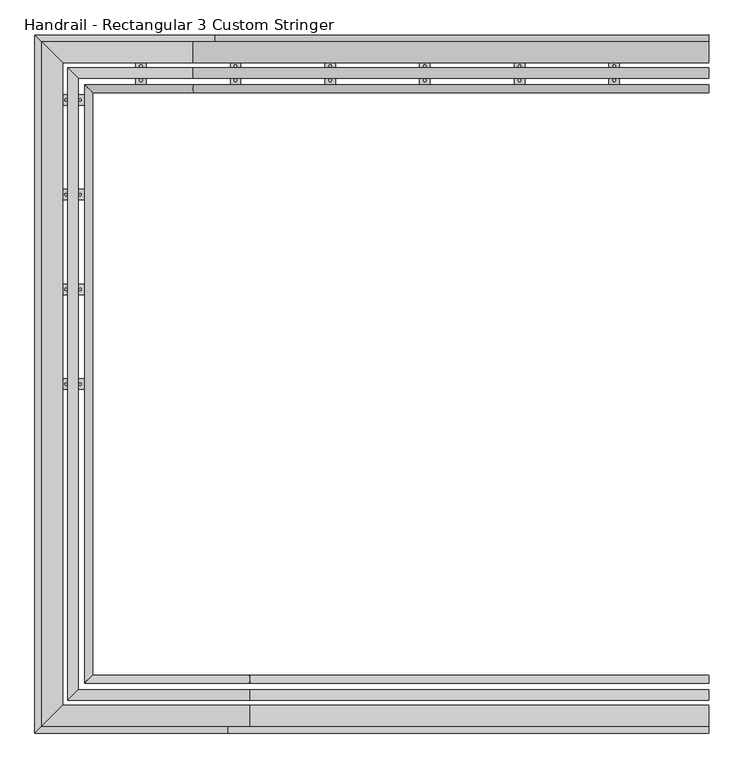
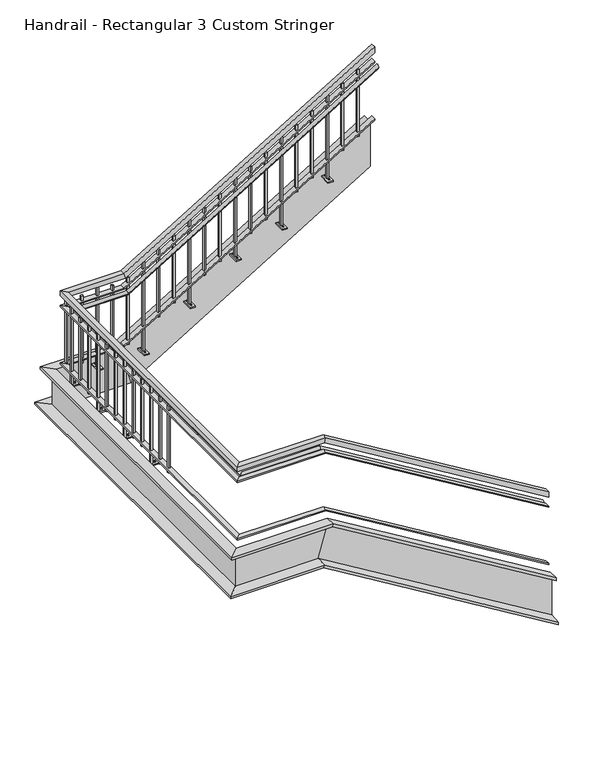
"""IFC4 building model written with IfcOpenShell, lengths in millimetres: railing geometry, Handrail - Rectangular 3 Custom Stringer."""

import ifcopenshell
import ifcopenshell.guid

model = None  # the IFC model being written
_history = None  # IfcOwnerHistory: only IFC2X3 demands one
_inside = {}  # id of a spatial element -> (the spatial element, [elements in it])
_under = {}  # id of a project, library or spatial element -> (it, [spatial elements below it])
_declared = {}  # id of a project -> (the project, [libraries it declares])
_typed = {}  # id of a type object -> (the type object, [elements of that type])
_made_of = {}  # id of a material, layer set ... -> (it, [elements and type objects made of it])


def new_model(schema):
    """Start an empty IFC model of exactly this schema.

    Asked for "IFC4X3", IfcOpenShell would pick the latest addendum, in which some entities
    have other attributes; the version numbers below select the first issue.
    IFC2X3 requires an IfcOwnerHistory on every rooted entity: one is made here for all.
    """
    global model, _history
    if schema == "IFC4X3":
        model = ifcopenshell.file(schema_version=(4, 3, 0, 0))
    else:
        model = ifcopenshell.file(schema=schema)
    _inside.clear()
    _under.clear()
    _declared.clear()
    _typed.clear()
    _made_of.clear()
    _history = None
    if model.schema == "IFC2X3":
        org = make("IfcOrganization", Name="unknown")
        user = make(
            "IfcPersonAndOrganization",
            ThePerson=make("IfcPerson", FamilyName="unknown"),
            TheOrganization=org,
        )
        app = make(
            "IfcApplication",
            ApplicationDeveloper=org,
            Version="unknown",
            ApplicationFullName="unknown",
            ApplicationIdentifier="unknown",
        )
        _history = make(
            "IfcOwnerHistory",
            OwningUser=user,
            OwningApplication=app,
            ChangeAction="ADDED",
            CreationDate=0,
        )
    return model


def make(cls, **values):
    """One entity of the class cls with the attributes given. An attribute that is None is left unset."""
    return model.create_entity(
        cls, **{name: value for name, value in values.items() if value is not None}
    )


def rooted(cls, **values):
    """An entity with a GlobalId (a new one), such as an element, a storey or a relation."""
    return make(cls, GlobalId=ifcopenshell.guid.new(), OwnerHistory=_history, **values)


def si_unit(unit_type, name, prefix=None):
    """IfcSIUnit, for example si_unit("LENGTHUNIT", "METRE", prefix="MILLI")."""
    return make("IfcSIUnit", UnitType=unit_type, Prefix=prefix, Name=name)


def assignment(units):
    """IfcUnitAssignment: the units of a project."""
    return None if units is None else make("IfcUnitAssignment", Units=units)


def point(xyz):
    """IfcCartesianPoint."""
    return None if xyz is None else make("IfcCartesianPoint", Coordinates=xyz)


def direction(xyz):
    """IfcDirection."""
    return None if xyz is None else make("IfcDirection", DirectionRatios=xyz)


def frame(location, z_axis=None, x_axis=None):
    """IfcAxis2Placement3D, a coordinate frame: its origin and axes. An axis left out is left unset."""
    return make(
        "IfcAxis2Placement3D",
        Location=point(location),
        Axis=direction(z_axis),
        RefDirection=direction(x_axis),
    )


def origin():
    """The frame at (0, 0, 0) with its axes left unset."""
    return frame((0.0, 0.0, 0.0))


def place(relative_to, where):
    """IfcLocalPlacement: puts the frame where relative to a parent placement (None: the world)."""
    return make(
        "IfcLocalPlacement", PlacementRelTo=relative_to, RelativePlacement=where
    )


def context(
    kind, dimensions, precision=None, world=None, true_north=None, identifier=None
):
    """IfcGeometricRepresentationContext, for example the 3D "Model" context."""
    return make(
        "IfcGeometricRepresentationContext",
        ContextIdentifier=identifier,
        ContextType=kind,
        CoordinateSpaceDimension=dimensions,
        Precision=precision,
        WorldCoordinateSystem=world,
        TrueNorth=true_north,
    )


def project(units=None, contexts=None):
    """IfcProject with its units and contexts."""
    return rooted(
        "IfcProject",
        Name="project",
        RepresentationContexts=contexts,
        UnitsInContext=assignment(units),
    )


def spatial(cls, under=None, at=None, **own):
    """A site, building, storey or space (cls), placed at a placement, below another one or the project."""
    s = rooted(cls, ObjectPlacement=at, **own)
    if under is not None:
        _under.setdefault(under.id(), (under, []))[1].append(s)
    return s


def polyline(points):
    """IfcPolyline through the points."""
    return make("IfcPolyline", Points=[point(p) for p in points])


def ellipse_curve(where, semi_axis1, semi_axis2):
    """IfcEllipse in the frame where."""
    return make(
        "IfcEllipse", Position=where, SemiAxis1=semi_axis1, SemiAxis2=semi_axis2
    )


def outline(outer, holes=None, kind="AREA"):
    """IfcArbitraryClosedProfileDef: a profile drawn as a closed curve; with holes, ...WithVoids."""
    if holes is None:
        return make("IfcArbitraryClosedProfileDef", ProfileType=kind, OuterCurve=outer)
    return make(
        "IfcArbitraryProfileDefWithVoids",
        ProfileType=kind,
        OuterCurve=outer,
        InnerCurves=holes,
    )


def extrude(swept, where, along, depth):
    """IfcExtrudedAreaSolid: the profile swept, set in the frame where, extruded along a direction by depth."""
    return make(
        "IfcExtrudedAreaSolid",
        SweptArea=swept,
        Position=where,
        ExtrudedDirection=direction(along),
        Depth=depth,
    )


def faces_of(points, faces, orient=None, outer=None):
    """IfcFace entities. A face is a list of loops; a loop is a list of indices into points, from 0.

    orient and outer hold one flag for each loop. By default every Orientation is true, the
    first loop of a face is its IfcFaceOuterBound and the others are IfcFaceBound.
    """
    made = []
    for i, loops in enumerate(faces):
        bounds = []
        for j, loop in enumerate(loops):
            is_outer = j == 0 if outer is None else outer[i][j]
            bounds.append(
                make(
                    "IfcFaceOuterBound" if is_outer else "IfcFaceBound",
                    Bound=make("IfcPolyLoop", Polygon=[points[k] for k in loop]),
                    Orientation=True if orient is None else orient[i][j],
                )
            )
        made.append(make("IfcFace", Bounds=bounds))
    return made


def faceted_brep(points, faces, orient=None, outer=None, voids=None):
    """IfcFacetedBrep: a solid bounded by flat faces; with voids (closed shells), ...WithVoids."""
    shared = [point(p) for p in points]
    hull = make("IfcClosedShell", CfsFaces=faces_of(shared, faces, orient, outer))
    if voids is None:
        return make("IfcFacetedBrep", Outer=hull)
    return make(
        "IfcFacetedBrepWithVoids",
        Outer=hull,
        Voids=[
            make(cls, CfsFaces=faces_of(shared, fs, o, b)) for cls, fs, o, b in voids
        ],
    )


def shape(context_of_items, identifier, shape_type, items):
    """IfcShapeRepresentation: the items that make up one representation, for example the "Body"."""
    return make(
        "IfcShapeRepresentation",
        ContextOfItems=context_of_items,
        RepresentationIdentifier=identifier,
        RepresentationType=shape_type,
        Items=items,
    )


def source(mapping_origin, context_of_items, identifier, shape_type, items):
    """IfcRepresentationMap: a shape defined once, which mapped items show again and again."""
    return make(
        "IfcRepresentationMap",
        MappingOrigin=mapping_origin,
        MappedRepresentation=shape(context_of_items, identifier, shape_type, items),
    )


def transform(
    local_origin,
    x_axis=None,
    y_axis=None,
    z_axis=None,
    scale=None,
    scale2=None,
    scale3=None,
    uniform=True,
):
    """IfcCartesianTransformationOperator3D, or its non-uniform kind. x_axis, y_axis, z_axis: its Axis1, 2, 3."""
    if uniform:
        return make(
            "IfcCartesianTransformationOperator3D",
            Axis1=direction(x_axis),
            Axis2=direction(y_axis),
            LocalOrigin=point(local_origin),
            Scale=scale,
            Axis3=direction(z_axis),
        )
    return make(
        "IfcCartesianTransformationOperator3DnonUniform",
        Axis1=direction(x_axis),
        Axis2=direction(y_axis),
        LocalOrigin=point(local_origin),
        Scale=scale,
        Axis3=direction(z_axis),
        Scale2=scale2,
        Scale3=scale3,
    )


def mapped(mapping_source, mapping_target):
    """IfcMappedItem: shows the shape of a source again, moved by a transform."""
    return make(
        "IfcMappedItem", MappingSource=mapping_source, MappingTarget=mapping_target
    )


def made_of(thing, what):
    """Note that an element or type object is made of a material, layer set ...; save() writes the relation."""
    if what is not None:
        _made_of.setdefault(what.id(), (what, []))[1].append(thing)
    return thing


def element(
    cls,
    number,
    at=None,
    inside=None,
    cuts=None,
    type_object=None,
    material=None,
    context=None,
    identifier="Body",
    shape_type=None,
    held_by="IfcProductDefinitionShape",
    body=None,
    shapes=None,
    **own,
):
    """One element of the class cls, such as IfcWall. Its Tag is "e" and its number.

    at: its placement. inside: the storey or other place that contains it. cuts: it is an
    opening in that element (IfcRelVoidsElement). A single representation is given by context,
    identifier, shape_type and body (its items); several are given by shapes. held_by: the class
    of the entity that holds the representations. save() writes the other relations.
    """
    e = rooted(cls, Tag="e%d" % number, ObjectPlacement=at, **own)
    if body is not None:
        shapes = [shape(context, identifier, shape_type, body)]
    if shapes is not None:
        e.Representation = make(held_by, Representations=shapes)
    if inside is not None:
        _inside.setdefault(inside.id(), (inside, []))[1].append(e)
    if cuts is not None:
        rooted(
            "IfcRelVoidsElement", RelatingBuildingElement=cuts, RelatedOpeningElement=e
        )
    if type_object is not None:
        _typed.setdefault(type_object.id(), (type_object, []))[1].append(e)
    return made_of(e, material)


def aggregate(whole, parts):
    """IfcRelAggregates: a whole, such as a stair, and the parts it consists of."""
    return rooted("IfcRelAggregates", RelatingObject=whole, RelatedObjects=parts)


def save(model, path):
    """Write the relations noted so far, then the file.

    IfcRelAggregates (storeys below a building ...), IfcRelContainedInSpatialStructure (elements
    in a storey), IfcRelDefinesByType, IfcRelAssociatesMaterial and IfcRelDeclares: one each for
    every whole, place, type object, material and project.
    """
    for whole, parts in _under.values():
        aggregate(whole, parts)
    for where, things in _inside.values():
        rooted(
            "IfcRelContainedInSpatialStructure",
            RelatedElements=things,
            RelatingStructure=where,
        )
    for kind, things in _typed.values():
        rooted("IfcRelDefinesByType", RelatedObjects=things, RelatingType=kind)
    for what, things in _made_of.values():
        rooted("IfcRelAssociatesMaterial", RelatedObjects=things, RelatingMaterial=what)
    for by, libraries in _declared.values():
        rooted("IfcRelDeclares", RelatingContext=by, RelatedDefinitions=libraries)
    model.write(path)


def plane_surface(at):
    """IfcPlane: the flat surface through the origin of the frame at, square to its z axis."""
    return make("IfcPlane", Position=at)


def cylinder_surface(at, radius):
    """IfcCylindricalSurface: all points at the distance radius from the z axis of the frame at."""
    return make("IfcCylindricalSurface", Position=at, Radius=radius)


def advanced_brep(points, edges, surfaces, faces):
    """IfcAdvancedBrep: a solid bounded by faces that lie on surfaces and meet in shared edges.

    An edge is (start, end): straight between two places in points (the first is 0);
    or (start, end, curve); or (start, end, curve, False) where it runs against its curve.
    A face is (place in surfaces, loops), or (place, loops, False) where it looks against
    its surface's normal. A loop lists edges by number (the first is 1), with a minus sign
    where the edge is run from its end to its start. The first loop is the outer one.
    """
    corners = [point(p) for p in points]
    vertices = [make("IfcVertexPoint", VertexGeometry=c) for c in corners]
    made = []
    for start, end, *more in edges:
        made.append(
            make(
                "IfcEdgeCurve",
                EdgeStart=vertices[start],
                EdgeEnd=vertices[end],
                EdgeGeometry=more[0] if more else make("IfcPolyline", Points=[corners[start], corners[end]]),
                SameSense=more[1] if len(more) > 1 else True,
            )
        )
    hull = []
    for where, loops, *sense in faces:
        bounds = []
        for j, loop in enumerate(loops):
            ring = [make("IfcOrientedEdge", EdgeElement=made[abs(k) - 1], Orientation=k > 0) for k in loop]
            bounds.append(
                make(
                    "IfcFaceOuterBound" if j == 0 else "IfcFaceBound",
                    Bound=make("IfcEdgeLoop", EdgeList=ring),
                    Orientation=True,
                )
            )
        hull.append(make("IfcAdvancedFace", Bounds=bounds, FaceSurface=surfaces[where], SameSense=sense[0] if sense else True))
    return make("IfcAdvancedBrep", Outer=make("IfcClosedShell", CfsFaces=hull))


def handrail_rectangular_3_custom_stringer_bfeb75f7(model_context):
    return source(origin(), model_context, "Body", "SolidModel", [
        advanced_brep(
        [(-2662.3126908, -10883.1082649, 909.0577857), (-2662.3126908, -10921.2082649, 909.0577857), (-4902.8348443, -10883.1082649, 2266.95), (-4902.8348443, -10921.2082649, 2266.95), (-5665.8626908, -10883.1082649, 2266.95), (-5703.9626908, -10921.2082649, 2266.95), (-5665.8626908, -8045.4856522, 2266.95), (-5703.9626908, -8007.3856522, 2266.95), (-5171.5905373, -8045.4856522, 2266.95), (-5171.5905373, -8007.3856522, 2266.95), (-2662.3126908, -8045.4856522, 3787.7244524), (-2662.3126908, -8007.3856522, 3787.7244524)],
        [
            (0, 1, ellipse_curve(frame((-2662.3126908, -10902.1582649, 909.0577857), z_axis=(1.0, 0.0, 0.0), x_axis=(0.0, 0.0, -1.0)), 22.2755476, 19.05)),
            (1, 0, ellipse_curve(frame((-2662.3126908, -10902.1582649, 909.0577857), z_axis=(1.0, 0.0, 0.0), x_axis=(0.0, 0.0, -1.0)), 22.2755476, 19.05)),
            (0, 2),
            (2, 3, ellipse_curve(frame((-4902.8348443, -10902.1582649, 2266.95), z_axis=(0.9631193673564179, 0.0, -0.26907449567540426), x_axis=(-0.2690744956754037, 0.0, -0.9631193673564181)), 19.7794797, 19.05)),
            (3, 1),
            (3, 2, ellipse_curve(frame((-4902.8348443, -10902.1582649, 2266.95), z_axis=(0.9631193673564179, 0.0, -0.26907449567540426), x_axis=(-0.2690744956754037, 0.0, -0.9631193673564181)), 19.7794797, 19.05)),
            (2, 4),
            (4, 5, ellipse_curve(frame((-5684.9126908, -10902.1582649, 2266.95), z_axis=(0.7071067811865421, -0.707106781186553, 0.0), x_axis=(0.7071067811865529, 0.7071067811865421, 0.0)), 26.9407684, 19.05)),
            (5, 3),
            (5, 4, ellipse_curve(frame((-5684.9126908, -10902.1582649, 2266.95), z_axis=(0.7071067811865421, -0.707106781186553, 0.0), x_axis=(0.7071067811865529, 0.7071067811865421, 0.0)), 26.9407684, 19.05)),
            (4, 6),
            (6, 7, ellipse_curve(frame((-5684.9126908, -8026.4356522, 2266.95), z_axis=(-0.7071067811865538, -0.7071067811865412, 0.0), x_axis=(0.7071067811865411, -0.7071067811865539, 0.0)), 26.9407684, 19.05)),
            (7, 5),
            (7, 6, ellipse_curve(frame((-5684.9126908, -8026.4356522, 2266.95), z_axis=(-0.7071067811865538, -0.7071067811865412, 0.0), x_axis=(0.7071067811865411, -0.7071067811865539, 0.0)), 26.9407684, 19.05)),
            (6, 8),
            (8, 9, ellipse_curve(frame((-5171.5905373, -8026.4356522, 2266.95), z_axis=(-0.9631193673564181, 0.0, -0.26907449567540404), x_axis=(-0.26907449567540354, 0.0, 0.9631193673564181)), 19.7794797, 19.05)),
            (9, 7),
            (9, 8, ellipse_curve(frame((-5171.5905373, -8026.4356522, 2266.95), z_axis=(-0.9631193673564181, 0.0, -0.26907449567540404), x_axis=(-0.26907449567540354, 0.0, 0.9631193673564181)), 19.7794797, 19.05)),
            (10, 11, ellipse_curve(frame((-2662.3126908, -8026.4356522, 3787.7244524), z_axis=(1.0, 0.0, 0.0), x_axis=(0.0, 0.0, -1.0)), 22.2755476, 19.05)),
            (11, 10, ellipse_curve(frame((-2662.3126908, -8026.4356522, 3787.7244524), z_axis=(1.0, 0.0, 0.0), x_axis=(0.0, 0.0, -1.0)), 22.2755476, 19.05)),
            (8, 10),
            (11, 9),
        ],
        [
            plane_surface(frame((-2662.3126908, -10902.1582649, 931.3333333), z_axis=(1.0, 0.0, 0.0), x_axis=(0.0, -1.0, 0.0))),
            cylinder_surface(frame((-2672.1863385, -10902.1582649, 915.0418146), z_axis=(0.8551978315540537, 0.0, -0.5183017160932851), x_axis=(0.0, -1.0, 0.0)), 19.05),
            cylinder_surface(frame((-4897.5126908, -10902.1582649, 2266.95), z_axis=(1.0, 0.0, 0.0), x_axis=(0.0, -1.0, 0.0)), 19.05),
            cylinder_surface(frame((-5684.9126908, -10902.1582649, 2266.95), z_axis=(0.0, -1.0, 0.0), x_axis=(-1.0, 0.0, 0.0)), 19.05),
            cylinder_surface(frame((-5684.9126908, -8026.4356522, 2266.95), z_axis=(-1.0, 0.0, 0.0), x_axis=(0.0, 1.0, 0.0)), 19.05),
            plane_surface(frame((-2662.3126908, -8026.4356522, 3810.0), z_axis=(1.0, 0.0, 0.0), x_axis=(0.0, 1.0, 0.0))),
            cylinder_surface(frame((-5167.0390431, -8026.4356522, 2269.7084813), z_axis=(-0.855197831554054, 0.0, -0.5183017160932847), x_axis=(0.0, 1.0, 0.0)), 19.05),
        ],
        [
            (0, [[1, 2]]),
            (1, [[-1, 3, 4, 5]]),
            (1, [[-2, -5, 6, -3]]),
            (2, [[-4, 7, 8, 9]]),
            (2, [[-6, -9, 10, -7]]),
            (3, [[-8, 11, 12, 13]]),
            (3, [[-10, -13, 14, -11]]),
            (4, [[-12, 15, 16, 17]]),
            (4, [[-14, -17, 18, -15]]),
            (5, [[19, 20]]),
            (6, [[-16, 21, -20, 22]]),
            (6, [[-18, -22, -19, -21]]),
        ],
    ),
        faceted_brep([(-2662.3126908, -11003.7582649, 1083.7333333), (-2662.3126908, -11003.7582649, 1024.3318731), (-2662.3126908, -10952.9582649, 1024.3318731), (-2662.3126908, -10952.9582649, 1083.7333333), (-4897.5126908, -11003.7582649, 2438.4), (-4911.7051002, -11003.7582649, 2387.6), (-4911.7051002, -10952.9582649, 2387.6), (-4897.5126908, -10952.9582649, 2438.4), (-5786.5126908, -11003.7582649, 2438.4), (-5786.5126908, -11003.7582649, 2387.6), (-5735.7126908, -10952.9582649, 2387.6), (-5735.7126908, -10952.9582649, 2438.4), (-5786.5126908, -7924.8356522, 2438.4), (-5786.5126908, -7924.8356522, 2387.6), (-5735.7126908, -7975.6356522, 2387.6), (-5735.7126908, -7975.6356522, 2438.4), (-5176.9126908, -7924.8356522, 2438.4), (-5162.7202814, -7924.8356522, 2387.6), (-5162.7202814, -7975.6356522, 2387.6), (-5176.9126908, -7975.6356522, 2438.4), (-2662.3126908, -7924.8356522, 3962.4), (-2662.3126908, -7975.6356522, 3962.4), (-2662.3126908, -7975.6356522, 3902.9985397), (-2662.3126908, -7924.8356522, 3902.9985397)], [[[0, 1, 2, 3]], [[1, 0, 4, 5]], [[2, 1, 5, 6]], [[3, 2, 6, 7]], [[0, 3, 7, 4]], [[5, 4, 8, 9]], [[6, 5, 9, 10]], [[7, 6, 10, 11]], [[4, 7, 11, 8]], [[9, 8, 12, 13]], [[10, 9, 13, 14]], [[11, 10, 14, 15]], [[8, 11, 15, 12]], [[13, 12, 16, 17]], [[14, 13, 17, 18]], [[15, 14, 18, 19]], [[12, 15, 19, 16]], [[20, 21, 22, 23]], [[17, 16, 20, 23]], [[18, 17, 23, 22]], [[19, 18, 22, 21]], [[16, 19, 21, 20]]]),
        faceted_brep([(-2662.3126908, -11003.7582649, 931.3333333), (-2662.3126908, -11003.7582649, 916.4829683), (-2662.3126908, -10952.9582649, 916.4829683), (-2662.3126908, -10952.9582649, 931.3333333), (-4897.5126908, -11003.7582649, 2286.0), (-4901.0607932, -11003.7582649, 2273.3), (-4901.0607932, -10952.9582649, 2273.3), (-4897.5126908, -10952.9582649, 2286.0), (-5786.5126908, -11003.7582649, 2286.0), (-5786.5126908, -11003.7582649, 2273.3), (-5735.7126908, -10952.9582649, 2273.3), (-5735.7126908, -10952.9582649, 2286.0), (-5786.5126908, -7924.8356522, 2286.0), (-5786.5126908, -7924.8356522, 2273.3), (-5735.7126908, -7975.6356522, 2273.3), (-5735.7126908, -7975.6356522, 2286.0), (-5176.9126908, -7924.8356522, 2286.0), (-5173.3645885, -7924.8356522, 2273.3), (-5173.3645885, -7975.6356522, 2273.3), (-5176.9126908, -7975.6356522, 2286.0), (-2662.3126908, -7924.8356522, 3810.0), (-2662.3126908, -7975.6356522, 3810.0), (-2662.3126908, -7975.6356522, 3795.1496349), (-2662.3126908, -7924.8356522, 3795.1496349)], [[[0, 1, 2, 3]], [[1, 0, 4, 5]], [[2, 1, 5, 6]], [[3, 2, 6, 7]], [[0, 3, 7, 4]], [[5, 4, 8, 9]], [[6, 5, 9, 10]], [[7, 6, 10, 11]], [[4, 7, 11, 8]], [[9, 8, 12, 13]], [[10, 9, 13, 14]], [[11, 10, 14, 15]], [[8, 11, 15, 12]], [[13, 12, 16, 17]], [[14, 13, 17, 18]], [[15, 14, 18, 19]], [[12, 15, 19, 16]], [[20, 21, 22, 23]], [[17, 16, 20, 23]], [[18, 17, 23, 22]], [[19, 18, 22, 21]], [[16, 19, 21, 20]]]),
        faceted_brep([(-2662.3126908, -11003.7582649, 321.7333333), (-2662.3126908, -11003.7582649, 306.8829683), (-2662.3126908, -10952.9582649, 306.8829683), (-2662.3126908, -10952.9582649, 321.7333333), (-4897.5126908, -11003.7582649, 1676.4), (-4901.0607932, -11003.7582649, 1663.7), (-4901.0607932, -10952.9582649, 1663.7), (-4897.5126908, -10952.9582649, 1676.4), (-5786.5126908, -11003.7582649, 1676.4), (-5786.5126908, -11003.7582649, 1663.7), (-5735.7126908, -10952.9582649, 1663.7), (-5735.7126908, -10952.9582649, 1676.4), (-5786.5126908, -7924.8356522, 1676.4), (-5786.5126908, -7924.8356522, 1663.7), (-5735.7126908, -7975.6356522, 1663.7), (-5735.7126908, -7975.6356522, 1676.4), (-5176.9126908, -7924.8356522, 1676.4), (-5173.3645885, -7924.8356522, 1663.7), (-5173.3645885, -7975.6356522, 1663.7), (-5176.9126908, -7975.6356522, 1676.4), (-2662.3126908, -7924.8356522, 3200.4), (-2662.3126908, -7975.6356522, 3200.4), (-2662.3126908, -7975.6356522, 3185.5496349), (-2662.3126908, -7924.8356522, 3185.5496349)], [[[0, 1, 2, 3]], [[1, 0, 4, 5]], [[2, 1, 5, 6]], [[3, 2, 6, 7]], [[0, 3, 7, 4]], [[5, 4, 8, 9]], [[6, 5, 9, 10]], [[7, 6, 10, 11]], [[4, 7, 11, 8]], [[9, 8, 12, 13]], [[10, 9, 13, 14]], [[11, 10, 14, 15]], [[8, 11, 15, 12]], [[13, 12, 16, 17]], [[14, 13, 17, 18]], [[15, 14, 18, 19]], [[12, 15, 19, 16]], [[20, 21, 22, 23]], [[17, 16, 20, 23]], [[18, 17, 23, 22]], [[19, 18, 22, 21]], [[16, 19, 21, 20]]]),
        faceted_brep([(-2662.3126908, -11029.1582649, -229.6783487), (-2662.3126908, -11029.1582649, 245.5333333), (-2662.3126908, -11130.7582649, 245.5333333), (-2662.3126908, -11130.7582649, 214.6667878), (-2662.3126908, -11054.9913768, 200.6346005), (-2662.3126908, -11054.9913768, -192.9000737), (-2662.3126908, -11163.8732709, -201.8030005), (-2662.3126908, -11163.8732709, -229.6783487), (-5011.0519662, -11029.1582649, 1193.8), (-4897.5126908, -11029.1582649, 1600.2), (-4897.5126908, -11130.7582649, 1600.2), (-4904.8874363, -11130.7582649, 1573.8029972), (-4908.2400567, -11054.9913768, 1561.802701), (-5002.2647691, -11054.9913768, 1225.252701), (-5004.3918882, -11163.8732709, 1217.6389373), (-5011.0519662, -11163.8732709, 1193.8), (-5811.9126908, -11029.1582649, 1193.8), (-5811.9126908, -11029.1582649, 1600.2), (-5913.5126908, -11130.7582649, 1600.2), (-5913.5126908, -11130.7582649, 1573.8029972), (-5837.7458027, -11054.9913768, 1561.802701), (-5837.7458027, -11054.9913768, 1225.252701), (-5946.6276968, -11163.8732709, 1217.6389373), (-5946.6276968, -11163.8732709, 1193.8), (-5811.9126908, -7899.4356522, 1193.8), (-5811.9126908, -7899.4356522, 1600.2), (-5913.5126908, -7797.8356522, 1600.2), (-5913.5126908, -7797.8356522, 1573.8029972), (-5837.7458027, -7873.6025403, 1561.802701), (-5837.7458027, -7873.6025403, 1225.252701), (-5946.6276968, -7764.7206462, 1217.6389373), (-5946.6276968, -7764.7206462, 1193.8), (-5063.3734155, -7899.4356522, 1193.8), (-5176.9126908, -7899.4356522, 1600.2), (-5176.9126908, -7797.8356522, 1600.2), (-5169.5379453, -7797.8356522, 1573.8029972), (-5166.1853249, -7873.6025403, 1561.802701), (-5072.1606125, -7873.6025403, 1225.252701), (-5070.0334934, -7764.7206462, 1217.6389373), (-5063.3734155, -7764.7206462, 1193.8), (-2662.3126908, -7899.4356522, 2648.988318), (-2662.3126908, -7764.7206462, 2648.988318), (-2662.3126908, -7764.7206462, 2676.8636661), (-2662.3126908, -7873.6025403, 2685.766593), (-2662.3126908, -7873.6025403, 3079.3012672), (-2662.3126908, -7797.8356522, 3093.3334545), (-2662.3126908, -7797.8356522, 3124.2), (-2662.3126908, -7899.4356522, 3124.2)], [[[0, 1, 2, 3, 4, 5, 6, 7]], [[1, 0, 8, 9]], [[2, 1, 9, 10]], [[3, 2, 10, 11]], [[4, 3, 11, 12]], [[5, 4, 12, 13]], [[6, 5, 13, 14]], [[7, 6, 14, 15]], [[0, 7, 15, 8]], [[9, 8, 16, 17]], [[10, 9, 17, 18]], [[11, 10, 18, 19]], [[12, 11, 19, 20]], [[13, 12, 20, 21]], [[14, 13, 21, 22]], [[15, 14, 22, 23]], [[8, 15, 23, 16]], [[17, 16, 24, 25]], [[18, 17, 25, 26]], [[19, 18, 26, 27]], [[20, 19, 27, 28]], [[21, 20, 28, 29]], [[22, 21, 29, 30]], [[23, 22, 30, 31]], [[16, 23, 31, 24]], [[25, 24, 32, 33]], [[26, 25, 33, 34]], [[27, 26, 34, 35]], [[28, 27, 35, 36]], [[29, 28, 36, 37]], [[30, 29, 37, 38]], [[31, 30, 38, 39]], [[24, 31, 39, 32]], [[40, 41, 42, 43, 44, 45, 46, 47]], [[33, 32, 40, 47]], [[34, 33, 47, 46]], [[35, 34, 46, 45]], [[36, 35, 45, 44]], [[37, 36, 44, 43]], [[38, 37, 43, 42]], [[39, 38, 42, 41]], [[32, 39, 41, 40]]]),
        extrude(outline(polyline([(-2825.5997344, -7940.7106522), (-2806.5497344, -7940.7106522), (-2806.5497344, -7959.7606522), (-2825.5997344, -7959.7606522), (-2825.5997344, -7940.7106522)])), frame((0.0, 0.0, 3056.4108827), z_axis=(0.0, 0.0, 1.0), x_axis=(1.0, 0.0, 0.0)), (0.0, 0.0, 1.0), 711.2),
        extrude(outline(polyline([(-2979.3617779, -7940.7106522), (-2960.3117779, -7940.7106522), (-2960.3117779, -7959.7606522), (-2979.3617779, -7959.7606522), (-2979.3617779, -7940.7106522)])), frame((0.0, 0.0, 2963.2217654), z_axis=(0.0, 0.0, 1.0), x_axis=(1.0, 0.0, 0.0)), (0.0, 0.0, 1.0), 711.2),
        faceted_brep([(-3148.9988214, -8010.5606522, 2709.3333333), (-3148.9988214, -7889.9106522, 2709.3333333), (-3098.1988214, -7889.9106522, 2709.3333333), (-3098.1988214, -8010.5606522, 2709.3333333), (-3133.1238214, -7940.7106522, 3617.6584606), (-3133.1238214, -7940.7106522, 2722.0333333), (-3133.1238214, -7959.7606522, 2722.0333333), (-3133.1238214, -7959.7606522, 3617.6584606), (-3114.0738214, -7940.7106522, 3629.2039151), (-3114.0738214, -7940.7106522, 2722.0333333), (-3114.0738214, -7959.7606522, 3629.2039151), (-3114.0738214, -7959.7606522, 2722.0333333), (-3148.9988214, -8010.5606522, 2722.0333333), (-3098.1988214, -8010.5606522, 2722.0333333), (-3098.1988214, -7889.9106522, 2722.0333333), (-3148.9988214, -7889.9106522, 2722.0333333)], [[[0, 1, 2, 3]], [[4, 5, 6, 7]], [[8, 9, 5, 4]], [[10, 11, 9, 8]], [[7, 6, 11, 10]], [[7, 10, 8, 4]], [[12, 13, 14, 15], [5, 9, 11, 6]], [[15, 1, 0, 12]], [[14, 2, 1, 15]], [[13, 3, 2, 14]], [[12, 0, 3, 13]]]),
        extrude(outline(polyline([(-3130.9311699, -7915.3106522), (-3127.2649957, -7908.9606522), (-3119.9326472, -7908.9606522), (-3116.266473, -7915.3106522), (-3119.9326472, -7921.6606522), (-3127.2649957, -7921.6606522), (-3130.9311699, -7915.3106522)])), frame((0.0, 0.0, 2722.0333333), z_axis=(0.0, 0.0, 1.0), x_axis=(1.0, 0.0, 0.0)), (0.0, 0.0, 1.0), 6.35),
        extrude(outline(polyline([(-3130.9311699, -7985.1606522), (-3127.2649957, -7978.8106522), (-3119.9326472, -7978.8106522), (-3116.266473, -7985.1606522), (-3119.9326472, -7991.5106522), (-3127.2649957, -7991.5106522), (-3130.9311699, -7985.1606522)])), frame((0.0, 0.0, 2722.0333333), z_axis=(0.0, 0.0, 1.0), x_axis=(1.0, 0.0, 0.0)), (0.0, 0.0, 1.0), 6.35),
        extrude(outline(polyline([(-3286.885865, -7940.7106522), (-3267.835865, -7940.7106522), (-3267.835865, -7959.7606522), (-3286.885865, -7959.7606522), (-3286.885865, -7940.7106522)])), frame((0.0, 0.0, 2776.8435308), z_axis=(0.0, 0.0, 1.0), x_axis=(1.0, 0.0, 0.0)), (0.0, 0.0, 1.0), 711.2),
        extrude(outline(polyline([(-3440.6479085, -7940.7106522), (-3421.5979085, -7940.7106522), (-3421.5979085, -7959.7606522), (-3440.6479085, -7959.7606522), (-3440.6479085, -7940.7106522)])), frame((0.0, 0.0, 2683.6544135), z_axis=(0.0, 0.0, 1.0), x_axis=(1.0, 0.0, 0.0)), (0.0, 0.0, 1.0), 711.2),
        faceted_brep([(-3610.2849521, -8010.5606522, 2370.6666667), (-3610.2849521, -7889.9106522, 2370.6666667), (-3559.4849521, -7889.9106522, 2370.6666667), (-3559.4849521, -8010.5606522, 2370.6666667), (-3594.4099521, -7940.7106522, 3338.0911087), (-3594.4099521, -7940.7106522, 2383.3666667), (-3594.4099521, -7959.7606522, 2383.3666667), (-3594.4099521, -7959.7606522, 3338.0911087), (-3575.3599521, -7940.7106522, 3349.6365632), (-3575.3599521, -7940.7106522, 2383.3666667), (-3575.3599521, -7959.7606522, 3349.6365632), (-3575.3599521, -7959.7606522, 2383.3666667), (-3610.2849521, -8010.5606522, 2383.3666667), (-3559.4849521, -8010.5606522, 2383.3666667), (-3559.4849521, -7889.9106522, 2383.3666667), (-3610.2849521, -7889.9106522, 2383.3666667)], [[[0, 1, 2, 3]], [[4, 5, 6, 7]], [[8, 9, 5, 4]], [[10, 11, 9, 8]], [[7, 6, 11, 10]], [[7, 10, 8, 4]], [[12, 13, 14, 15], [5, 9, 11, 6]], [[15, 1, 0, 12]], [[14, 2, 1, 15]], [[13, 3, 2, 14]], [[12, 0, 3, 13]]]),
        extrude(outline(polyline([(-3592.2173005, -7915.3106522), (-3588.5511263, -7908.9606522), (-3581.2187779, -7908.9606522), (-3577.5526037, -7915.3106522), (-3581.2187779, -7921.6606522), (-3588.5511263, -7921.6606522), (-3592.2173005, -7915.3106522)])), frame((0.0, 0.0, 2383.3666667), z_axis=(0.0, 0.0, 1.0), x_axis=(1.0, 0.0, 0.0)), (0.0, 0.0, 1.0), 6.35),
        extrude(outline(polyline([(-3592.2173005, -7985.1606522), (-3588.5511263, -7978.8106522), (-3581.2187779, -7978.8106522), (-3577.5526037, -7985.1606522), (-3581.2187779, -7991.5106522), (-3588.5511263, -7991.5106522), (-3592.2173005, -7985.1606522)])), frame((0.0, 0.0, 2383.3666667), z_axis=(0.0, 0.0, 1.0), x_axis=(1.0, 0.0, 0.0)), (0.0, 0.0, 1.0), 6.35),
        extrude(outline(polyline([(-3748.1719956, -7940.7106522), (-3729.1219956, -7940.7106522), (-3729.1219956, -7959.7606522), (-3748.1719956, -7959.7606522), (-3748.1719956, -7940.7106522)])), frame((0.0, 0.0, 2497.2761789), z_axis=(0.0, 0.0, 1.0), x_axis=(1.0, 0.0, 0.0)), (0.0, 0.0, 1.0), 711.2),
        extrude(outline(polyline([(-3901.9340392, -7940.7106522), (-3882.8840392, -7940.7106522), (-3882.8840392, -7959.7606522), (-3901.9340392, -7959.7606522), (-3901.9340392, -7940.7106522)])), frame((0.0, 0.0, 2404.0870616), z_axis=(0.0, 0.0, 1.0), x_axis=(1.0, 0.0, 0.0)), (0.0, 0.0, 1.0), 711.2),
        faceted_brep([(-4071.5710827, -8010.5606522, 2201.3333333), (-4071.5710827, -7889.9106522, 2201.3333333), (-4020.7710827, -7889.9106522, 2201.3333333), (-4020.7710827, -8010.5606522, 2201.3333333), (-4055.6960827, -7940.7106522, 3058.5237568), (-4055.6960827, -7940.7106522, 2214.0333333), (-4055.6960827, -7959.7606522, 2214.0333333), (-4055.6960827, -7959.7606522, 3058.5237568), (-4036.6460827, -7940.7106522, 3070.0692113), (-4036.6460827, -7940.7106522, 2214.0333333), (-4036.6460827, -7959.7606522, 3070.0692113), (-4036.6460827, -7959.7606522, 2214.0333333), (-4071.5710827, -8010.5606522, 2214.0333333), (-4020.7710827, -8010.5606522, 2214.0333333), (-4020.7710827, -7889.9106522, 2214.0333333), (-4071.5710827, -7889.9106522, 2214.0333333)], [[[0, 1, 2, 3]], [[4, 5, 6, 7]], [[8, 9, 5, 4]], [[10, 11, 9, 8]], [[7, 6, 11, 10]], [[7, 10, 8, 4]], [[12, 13, 14, 15], [5, 9, 11, 6]], [[15, 1, 0, 12]], [[14, 2, 1, 15]], [[13, 3, 2, 14]], [[12, 0, 3, 13]]]),
        extrude(outline(polyline([(-4053.5034311, -7915.3106522), (-4049.8372569, -7908.9606522), (-4042.5049085, -7908.9606522), (-4038.8387343, -7915.3106522), (-4042.5049085, -7921.6606522), (-4049.8372569, -7921.6606522), (-4053.5034311, -7915.3106522)])), frame((0.0, 0.0, 2214.0333333), z_axis=(0.0, 0.0, 1.0), x_axis=(1.0, 0.0, 0.0)), (0.0, 0.0, 1.0), 6.35),
        extrude(outline(polyline([(-4053.5034311, -7985.1606522), (-4049.8372569, -7978.8106522), (-4042.5049085, -7978.8106522), (-4038.8387343, -7985.1606522), (-4042.5049085, -7991.5106522), (-4049.8372569, -7991.5106522), (-4053.5034311, -7985.1606522)])), frame((0.0, 0.0, 2214.0333333), z_axis=(0.0, 0.0, 1.0), x_axis=(1.0, 0.0, 0.0)), (0.0, 0.0, 1.0), 6.35),
        extrude(outline(polyline([(-4209.4581263, -7940.7106522), (-4190.4081263, -7940.7106522), (-4190.4081263, -7959.7606522), (-4209.4581263, -7959.7606522), (-4209.4581263, -7940.7106522)])), frame((0.0, 0.0, 2217.708827), z_axis=(0.0, 0.0, 1.0), x_axis=(1.0, 0.0, 0.0)), (0.0, 0.0, 1.0), 711.2),
        extrude(outline(polyline([(-4363.2201698, -7940.7106522), (-4344.1701698, -7940.7106522), (-4344.1701698, -7959.7606522), (-4363.2201698, -7959.7606522), (-4363.2201698, -7940.7106522)])), frame((0.0, 0.0, 2124.5197097), z_axis=(0.0, 0.0, 1.0), x_axis=(1.0, 0.0, 0.0)), (0.0, 0.0, 1.0), 711.2),
        faceted_brep([(-4532.8572134, -8010.5606522, 1862.6666667), (-4532.8572134, -7889.9106522, 1862.6666667), (-4482.0572134, -7889.9106522, 1862.6666667), (-4482.0572134, -8010.5606522, 1862.6666667), (-4516.9822134, -7940.7106522, 2778.9564049), (-4516.9822134, -7940.7106522, 1875.3666667), (-4516.9822134, -7959.7606522, 1875.3666667), (-4516.9822134, -7959.7606522, 2778.9564049), (-4497.9322134, -7940.7106522, 2790.5018594), (-4497.9322134, -7940.7106522, 1875.3666667), (-4497.9322134, -7959.7606522, 2790.5018594), (-4497.9322134, -7959.7606522, 1875.3666667), (-4532.8572134, -8010.5606522, 1875.3666667), (-4482.0572134, -8010.5606522, 1875.3666667), (-4482.0572134, -7889.9106522, 1875.3666667), (-4532.8572134, -7889.9106522, 1875.3666667)], [[[0, 1, 2, 3]], [[4, 5, 6, 7]], [[8, 9, 5, 4]], [[10, 11, 9, 8]], [[7, 6, 11, 10]], [[7, 10, 8, 4]], [[12, 13, 14, 15], [5, 9, 11, 6]], [[15, 1, 0, 12]], [[14, 2, 1, 15]], [[13, 3, 2, 14]], [[12, 0, 3, 13]]]),
        extrude(outline(polyline([(-4514.7895618, -7915.3106522), (-4511.1233876, -7908.9606522), (-4503.7910391, -7908.9606522), (-4500.1248649, -7915.3106522), (-4503.7910391, -7921.6606522), (-4511.1233876, -7921.6606522), (-4514.7895618, -7915.3106522)])), frame((0.0, 0.0, 1875.3666667), z_axis=(0.0, 0.0, 1.0), x_axis=(1.0, 0.0, 0.0)), (0.0, 0.0, 1.0), 6.35),
        extrude(outline(polyline([(-4514.7895618, -7985.1606522), (-4511.1233876, -7978.8106522), (-4503.7910391, -7978.8106522), (-4500.1248649, -7985.1606522), (-4503.7910391, -7991.5106522), (-4511.1233876, -7991.5106522), (-4514.7895618, -7985.1606522)])), frame((0.0, 0.0, 1875.3666667), z_axis=(0.0, 0.0, 1.0), x_axis=(1.0, 0.0, 0.0)), (0.0, 0.0, 1.0), 6.35),
        extrude(outline(polyline([(-4670.7442569, -7940.7106522), (-4651.6942569, -7940.7106522), (-4651.6942569, -7959.7606522), (-4670.7442569, -7959.7606522), (-4670.7442569, -7940.7106522)])), frame((0.0, 0.0, 1938.1414751), z_axis=(0.0, 0.0, 1.0), x_axis=(1.0, 0.0, 0.0)), (0.0, 0.0, 1.0), 711.2),
        extrude(outline(polyline([(-4824.5063004, -7940.7106522), (-4805.4563004, -7940.7106522), (-4805.4563004, -7959.7606522), (-4824.5063004, -7959.7606522), (-4824.5063004, -7940.7106522)])), frame((0.0, 0.0, 1844.9523578), z_axis=(0.0, 0.0, 1.0), x_axis=(1.0, 0.0, 0.0)), (0.0, 0.0, 1.0), 711.2),
        faceted_brep([(-4994.143344, -8010.5606522, 1524.0), (-4994.143344, -7889.9106522, 1524.0), (-4943.343344, -7889.9106522, 1524.0), (-4943.343344, -8010.5606522, 1524.0), (-4978.268344, -7940.7106522, 2499.389053), (-4978.268344, -7940.7106522, 1536.7), (-4978.268344, -7959.7606522, 1536.7), (-4978.268344, -7959.7606522, 2499.389053), (-4959.218344, -7940.7106522, 2510.9345075), (-4959.218344, -7940.7106522, 1536.7), (-4959.218344, -7959.7606522, 2510.9345075), (-4959.218344, -7959.7606522, 1536.7), (-4994.143344, -8010.5606522, 1536.7), (-4943.343344, -8010.5606522, 1536.7), (-4943.343344, -7889.9106522, 1536.7), (-4994.143344, -7889.9106522, 1536.7)], [[[0, 1, 2, 3]], [[4, 5, 6, 7]], [[8, 9, 5, 4]], [[10, 11, 9, 8]], [[7, 6, 11, 10]], [[7, 10, 8, 4]], [[12, 13, 14, 15], [5, 9, 11, 6]], [[15, 1, 0, 12]], [[14, 2, 1, 15]], [[13, 3, 2, 14]], [[12, 0, 3, 13]]]),
        extrude(outline(polyline([(-4976.0756924, -7915.3106522), (-4972.4095182, -7908.9606522), (-4965.0771698, -7908.9606522), (-4961.4109956, -7915.3106522), (-4965.0771698, -7921.6606522), (-4972.4095182, -7921.6606522), (-4976.0756924, -7915.3106522)])), frame((0.0, 0.0, 1536.7), z_axis=(0.0, 0.0, 1.0), x_axis=(1.0, 0.0, 0.0)), (0.0, 0.0, 1.0), 6.35),
        extrude(outline(polyline([(-4976.0756924, -7985.1606522), (-4972.4095182, -7978.8106522), (-4965.0771698, -7978.8106522), (-4961.4109956, -7985.1606522), (-4965.0771698, -7991.5106522), (-4972.4095182, -7991.5106522), (-4976.0756924, -7985.1606522)])), frame((0.0, 0.0, 1536.7), z_axis=(0.0, 0.0, 1.0), x_axis=(1.0, 0.0, 0.0)), (0.0, 0.0, 1.0), 6.35),
        extrude(outline(polyline([(-5132.0303875, -7940.7106522), (-5112.9803875, -7940.7106522), (-5112.9803875, -7959.7606522), (-5132.0303875, -7959.7606522), (-5132.0303875, -7940.7106522)])), frame((0.0, 0.0, 1658.5741232), z_axis=(0.0, 0.0, 1.0), x_axis=(1.0, 0.0, 0.0)), (0.0, 0.0, 1.0), 711.2),
        extrude(outline(polyline([(-5285.7924311, -7940.7106522), (-5266.7424311, -7940.7106522), (-5266.7424311, -7959.7606522), (-5285.7924311, -7959.7606522), (-5285.7924311, -7940.7106522)])), frame((0.0, 0.0, 1625.6), z_axis=(0.0, 0.0, 1.0), x_axis=(1.0, 0.0, 0.0)), (0.0, 0.0, 1.0), 711.2),
        faceted_brep([(-5455.4294746, -8010.5606522, 1524.0), (-5455.4294746, -7889.9106522, 1524.0), (-5404.6294746, -7889.9106522, 1524.0), (-5404.6294746, -8010.5606522, 1524.0), (-5439.5544746, -7940.7106522, 2387.6), (-5439.5544746, -7940.7106522, 1536.7), (-5439.5544746, -7959.7606522, 1536.7), (-5439.5544746, -7959.7606522, 2387.6), (-5420.5044746, -7940.7106522, 2387.6), (-5420.5044746, -7940.7106522, 1536.7), (-5420.5044746, -7959.7606522, 2387.6), (-5420.5044746, -7959.7606522, 1536.7), (-5455.4294746, -8010.5606522, 1536.7), (-5404.6294746, -8010.5606522, 1536.7), (-5404.6294746, -7889.9106522, 1536.7), (-5455.4294746, -7889.9106522, 1536.7)], [[[0, 1, 2, 3]], [[4, 5, 6, 7]], [[8, 9, 5, 4]], [[10, 11, 9, 8]], [[7, 6, 11, 10]], [[7, 10, 8, 4]], [[12, 13, 14, 15], [5, 9, 11, 6]], [[15, 1, 0, 12]], [[14, 2, 1, 15]], [[13, 3, 2, 14]], [[12, 0, 3, 13]]]),
        extrude(outline(polyline([(-5437.361823, -7915.3106522), (-5433.6956488, -7908.9606522), (-5426.3633004, -7908.9606522), (-5422.6971262, -7915.3106522), (-5426.3633004, -7921.6606522), (-5433.6956488, -7921.6606522), (-5437.361823, -7915.3106522)])), frame((0.0, 0.0, 1536.7), z_axis=(0.0, 0.0, 1.0), x_axis=(1.0, 0.0, 0.0)), (0.0, 0.0, 1.0), 6.35),
        extrude(outline(polyline([(-5437.361823, -7985.1606522), (-5433.6956488, -7978.8106522), (-5426.3633004, -7978.8106522), (-5422.6971262, -7985.1606522), (-5426.3633004, -7991.5106522), (-5433.6956488, -7991.5106522), (-5437.361823, -7985.1606522)])), frame((0.0, 0.0, 1536.7), z_axis=(0.0, 0.0, 1.0), x_axis=(1.0, 0.0, 0.0)), (0.0, 0.0, 1.0), 6.35),
        extrude(outline(polyline([(-5593.3165182, -7940.7106522), (-5574.2665182, -7940.7106522), (-5574.2665182, -7959.7606522), (-5593.3165182, -7959.7606522), (-5593.3165182, -7940.7106522)])), frame((0.0, 0.0, 1625.6), z_axis=(0.0, 0.0, 1.0), x_axis=(1.0, 0.0, 0.0)), (0.0, 0.0, 1.0), 711.2),
        extrude(outline(polyline([(-5747.0785617, -7940.7106522), (-5728.0285617, -7940.7106522), (-5728.0285617, -7959.7606522), (-5747.0785617, -7959.7606522), (-5747.0785617, -7940.7106522)])), frame((0.0, 0.0, 1625.6), z_axis=(0.0, 0.0, 1.0), x_axis=(1.0, 0.0, 0.0)), (0.0, 0.0, 1.0), 711.2),
        faceted_brep([(-5700.7876908, -8105.8385666, 1524.0), (-5821.4376908, -8105.8385666, 1524.0), (-5821.4376908, -8055.0385666, 1524.0), (-5700.7876908, -8055.0385666, 1524.0), (-5770.6376908, -8089.9635666, 2387.6), (-5770.6376908, -8089.9635666, 1536.7), (-5751.5876908, -8089.9635666, 1536.7), (-5751.5876908, -8089.9635666, 2387.6), (-5770.6376908, -8070.9135666, 2387.6), (-5770.6376908, -8070.9135666, 1536.7), (-5751.5876908, -8070.9135666, 2387.6), (-5751.5876908, -8070.9135666, 1536.7), (-5700.7876908, -8105.8385666, 1536.7), (-5700.7876908, -8055.0385666, 1536.7), (-5821.4376908, -8055.0385666, 1536.7), (-5821.4376908, -8105.8385666, 1536.7)], [[[0, 1, 2, 3]], [[4, 5, 6, 7]], [[8, 9, 5, 4]], [[10, 11, 9, 8]], [[7, 6, 11, 10]], [[7, 10, 8, 4]], [[12, 13, 14, 15], [5, 9, 11, 6]], [[15, 1, 0, 12]], [[14, 2, 1, 15]], [[13, 3, 2, 14]], [[12, 0, 3, 13]]]),
        extrude(outline(polyline([(-5796.0376908, -8087.770915), (-5802.3876908, -8084.1047408), (-5802.3876908, -8076.7723924), (-5796.0376908, -8073.1062182), (-5789.6876908, -8076.7723924), (-5789.6876908, -8084.1047408), (-5796.0376908, -8087.770915)])), frame((0.0, 0.0, 1536.7), z_axis=(0.0, 0.0, 1.0), x_axis=(1.0, 0.0, 0.0)), (0.0, 0.0, 1.0), 6.35),
        extrude(outline(polyline([(-5726.1876908, -8087.770915), (-5732.5376908, -8084.1047408), (-5732.5376908, -8076.7723924), (-5726.1876908, -8073.1062182), (-5719.8376908, -8076.7723924), (-5719.8376908, -8084.1047408), (-5726.1876908, -8087.770915)])), frame((0.0, 0.0, 1536.7), z_axis=(0.0, 0.0, 1.0), x_axis=(1.0, 0.0, 0.0)), (0.0, 0.0, 1.0), 6.35),
        extrude(outline(polyline([(-5770.6376908, -8243.7256102), (-5770.6376908, -8224.6756102), (-5751.5876908, -8224.6756102), (-5751.5876908, -8243.7256102), (-5770.6376908, -8243.7256102)])), frame((0.0, 0.0, 1625.6), z_axis=(0.0, 0.0, 1.0), x_axis=(1.0, 0.0, 0.0)), (0.0, 0.0, 1.0), 711.2),
        extrude(outline(polyline([(-5770.6376908, -8397.4876537), (-5770.6376908, -8378.4376537), (-5751.5876908, -8378.4376537), (-5751.5876908, -8397.4876537), (-5770.6376908, -8397.4876537)])), frame((0.0, 0.0, 1625.6), z_axis=(0.0, 0.0, 1.0), x_axis=(1.0, 0.0, 0.0)), (0.0, 0.0, 1.0), 711.2),
        faceted_brep([(-5700.7876908, -8567.1246973, 1524.0), (-5821.4376908, -8567.1246973, 1524.0), (-5821.4376908, -8516.3246973, 1524.0), (-5700.7876908, -8516.3246973, 1524.0), (-5770.6376908, -8551.2496973, 2387.6), (-5770.6376908, -8551.2496973, 1536.7), (-5751.5876908, -8551.2496973, 1536.7), (-5751.5876908, -8551.2496973, 2387.6), (-5770.6376908, -8532.1996973, 2387.6), (-5770.6376908, -8532.1996973, 1536.7), (-5751.5876908, -8532.1996973, 2387.6), (-5751.5876908, -8532.1996973, 1536.7), (-5700.7876908, -8567.1246973, 1536.7), (-5700.7876908, -8516.3246973, 1536.7), (-5821.4376908, -8516.3246973, 1536.7), (-5821.4376908, -8567.1246973, 1536.7)], [[[0, 1, 2, 3]], [[4, 5, 6, 7]], [[8, 9, 5, 4]], [[10, 11, 9, 8]], [[7, 6, 11, 10]], [[7, 10, 8, 4]], [[12, 13, 14, 15], [5, 9, 11, 6]], [[15, 1, 0, 12]], [[14, 2, 1, 15]], [[13, 3, 2, 14]], [[12, 0, 3, 13]]]),
        extrude(outline(polyline([(-5796.0376908, -8549.0570457), (-5802.3876908, -8545.3908715), (-5802.3876908, -8538.0585231), (-5796.0376908, -8534.3923488), (-5789.6876908, -8538.0585231), (-5789.6876908, -8545.3908715), (-5796.0376908, -8549.0570457)])), frame((0.0, 0.0, 1536.7), z_axis=(0.0, 0.0, 1.0), x_axis=(1.0, 0.0, 0.0)), (0.0, 0.0, 1.0), 6.35),
        extrude(outline(polyline([(-5726.1876908, -8549.0570457), (-5732.5376908, -8545.3908715), (-5732.5376908, -8538.0585231), (-5726.1876908, -8534.3923488), (-5719.8376908, -8538.0585231), (-5719.8376908, -8545.3908715), (-5726.1876908, -8549.0570457)])), frame((0.0, 0.0, 1536.7), z_axis=(0.0, 0.0, 1.0), x_axis=(1.0, 0.0, 0.0)), (0.0, 0.0, 1.0), 6.35),
        extrude(outline(polyline([(-5770.6376908, -8705.0117408), (-5770.6376908, -8685.9617408), (-5751.5876908, -8685.9617408), (-5751.5876908, -8705.0117408), (-5770.6376908, -8705.0117408)])), frame((0.0, 0.0, 1625.6), z_axis=(0.0, 0.0, 1.0), x_axis=(1.0, 0.0, 0.0)), (0.0, 0.0, 1.0), 711.2),
        extrude(outline(polyline([(-5770.6376908, -8858.7737844), (-5770.6376908, -8839.7237844), (-5751.5876908, -8839.7237844), (-5751.5876908, -8858.7737844), (-5770.6376908, -8858.7737844)])), frame((0.0, 0.0, 1625.6), z_axis=(0.0, 0.0, 1.0), x_axis=(1.0, 0.0, 0.0)), (0.0, 0.0, 1.0), 711.2),
        faceted_brep([(-5700.7876908, -9028.4108279, 1524.0), (-5821.4376908, -9028.4108279, 1524.0), (-5821.4376908, -8977.6108279, 1524.0), (-5700.7876908, -8977.6108279, 1524.0), (-5770.6376908, -9012.5358279, 2387.6), (-5770.6376908, -9012.5358279, 1536.7), (-5751.5876908, -9012.5358279, 1536.7), (-5751.5876908, -9012.5358279, 2387.6), (-5770.6376908, -8993.4858279, 2387.6), (-5770.6376908, -8993.4858279, 1536.7), (-5751.5876908, -8993.4858279, 2387.6), (-5751.5876908, -8993.4858279, 1536.7), (-5700.7876908, -9028.4108279, 1536.7), (-5700.7876908, -8977.6108279, 1536.7), (-5821.4376908, -8977.6108279, 1536.7), (-5821.4376908, -9028.4108279, 1536.7)], [[[0, 1, 2, 3]], [[4, 5, 6, 7]], [[8, 9, 5, 4]], [[10, 11, 9, 8]], [[7, 6, 11, 10]], [[7, 10, 8, 4]], [[12, 13, 14, 15], [5, 9, 11, 6]], [[15, 1, 0, 12]], [[14, 2, 1, 15]], [[13, 3, 2, 14]], [[12, 0, 3, 13]]]),
        extrude(outline(polyline([(-5796.0376908, -9010.3431763), (-5802.3876908, -9006.6770021), (-5802.3876908, -8999.3446537), (-5796.0376908, -8995.6784795), (-5789.6876908, -8999.3446537), (-5789.6876908, -9006.6770021), (-5796.0376908, -9010.3431763)])), frame((0.0, 0.0, 1536.7), z_axis=(0.0, 0.0, 1.0), x_axis=(1.0, 0.0, 0.0)), (0.0, 0.0, 1.0), 6.35),
        extrude(outline(polyline([(-5726.1876908, -9010.3431763), (-5732.5376908, -9006.6770021), (-5732.5376908, -8999.3446537), (-5726.1876908, -8995.6784795), (-5719.8376908, -8999.3446537), (-5719.8376908, -9006.6770021), (-5726.1876908, -9010.3431763)])), frame((0.0, 0.0, 1536.7), z_axis=(0.0, 0.0, 1.0), x_axis=(1.0, 0.0, 0.0)), (0.0, 0.0, 1.0), 6.35),
        extrude(outline(polyline([(-5770.6376908, -9166.2978714), (-5770.6376908, -9147.2478714), (-5751.5876908, -9147.2478714), (-5751.5876908, -9166.2978714), (-5770.6376908, -9166.2978714)])), frame((0.0, 0.0, 1625.6), z_axis=(0.0, 0.0, 1.0), x_axis=(1.0, 0.0, 0.0)), (0.0, 0.0, 1.0), 711.2),
        extrude(outline(polyline([(-5770.6376908, -9320.059915), (-5770.6376908, -9301.009915), (-5751.5876908, -9301.009915), (-5751.5876908, -9320.059915), (-5770.6376908, -9320.059915)])), frame((0.0, 0.0, 1625.6), z_axis=(0.0, 0.0, 1.0), x_axis=(1.0, 0.0, 0.0)), (0.0, 0.0, 1.0), 711.2),
        faceted_brep([(-5700.7876908, -9489.6969585, 1524.0), (-5821.4376908, -9489.6969585, 1524.0), (-5821.4376908, -9438.8969585, 1524.0), (-5700.7876908, -9438.8969585, 1524.0), (-5770.6376908, -9473.8219585, 2387.6), (-5770.6376908, -9473.8219585, 1536.7), (-5751.5876908, -9473.8219585, 1536.7), (-5751.5876908, -9473.8219585, 2387.6), (-5770.6376908, -9454.7719585, 2387.6), (-5770.6376908, -9454.7719585, 1536.7), (-5751.5876908, -9454.7719585, 2387.6), (-5751.5876908, -9454.7719585, 1536.7), (-5700.7876908, -9489.6969585, 1536.7), (-5700.7876908, -9438.8969585, 1536.7), (-5821.4376908, -9438.8969585, 1536.7), (-5821.4376908, -9489.6969585, 1536.7)], [[[0, 1, 2, 3]], [[4, 5, 6, 7]], [[8, 9, 5, 4]], [[10, 11, 9, 8]], [[7, 6, 11, 10]], [[7, 10, 8, 4]], [[12, 13, 14, 15], [5, 9, 11, 6]], [[15, 1, 0, 12]], [[14, 2, 1, 15]], [[13, 3, 2, 14]], [[12, 0, 3, 13]]]),
        extrude(outline(polyline([(-5796.0376908, -9471.629307), (-5802.3876908, -9467.9631327), (-5802.3876908, -9460.6307843), (-5796.0376908, -9456.9646101), (-5789.6876908, -9460.6307843), (-5789.6876908, -9467.9631327), (-5796.0376908, -9471.629307)])), frame((0.0, 0.0, 1536.7), z_axis=(0.0, 0.0, 1.0), x_axis=(1.0, 0.0, 0.0)), (0.0, 0.0, 1.0), 6.35),
        extrude(outline(polyline([(-5726.1876908, -9471.629307), (-5732.5376908, -9467.9631327), (-5732.5376908, -9460.6307843), (-5726.1876908, -9456.9646101), (-5719.8376908, -9460.6307843), (-5719.8376908, -9467.9631327), (-5726.1876908, -9471.629307)])), frame((0.0, 0.0, 1536.7), z_axis=(0.0, 0.0, 1.0), x_axis=(1.0, 0.0, 0.0)), (0.0, 0.0, 1.0), 6.35),
        extrude(outline(polyline([(-5770.6376908, -9627.5840021), (-5770.6376908, -9608.5340021), (-5751.5876908, -9608.5340021), (-5751.5876908, -9627.5840021), (-5770.6376908, -9627.5840021)])), frame((0.0, 0.0, 1625.6), z_axis=(0.0, 0.0, 1.0), x_axis=(1.0, 0.0, 0.0)), (0.0, 0.0, 1.0), 711.2),
        extrude(outline(polyline([(-5770.6376908, -9781.3460456), (-5770.6376908, -9762.2960456), (-5751.5876908, -9762.2960456), (-5751.5876908, -9781.3460456), (-5770.6376908, -9781.3460456)])), frame((0.0, 0.0, 1625.6), z_axis=(0.0, 0.0, 1.0), x_axis=(1.0, 0.0, 0.0)), (0.0, 0.0, 1.0), 711.2),
    ])


if __name__ == "__main__":
    model = new_model("IFC4")
    model_context = context("Model", 3, world=origin())
    ifc_project = project(units=[si_unit("LENGTHUNIT", "METRE", prefix="MILLI")], contexts=[model_context])
    site = spatial("IfcSite", under=ifc_project)
    building = spatial("IfcBuilding", under=site)
    placement = place(None, origin())
    handrail_rectangular_3_custom_stringer_shape = handrail_rectangular_3_custom_stringer_bfeb75f7(model_context)
    element("IfcRailing", 1, ObjectType="Handrail - Rectangular 3 Custom Stringer", at=placement, inside=building, context=model_context, shape_type="MappedRepresentation", body=[
        mapped(handrail_rectangular_3_custom_stringer_shape, transform((0.0, 0.0, 0.0), x_axis=(1.0, 0.0, 0.0), y_axis=(0.0, 1.0, 0.0), z_axis=(0.0, 0.0, 1.0))),
    ])
    save(model, "model.ifc")
